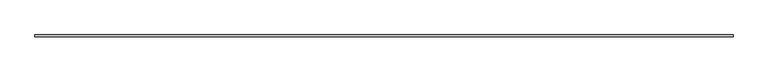
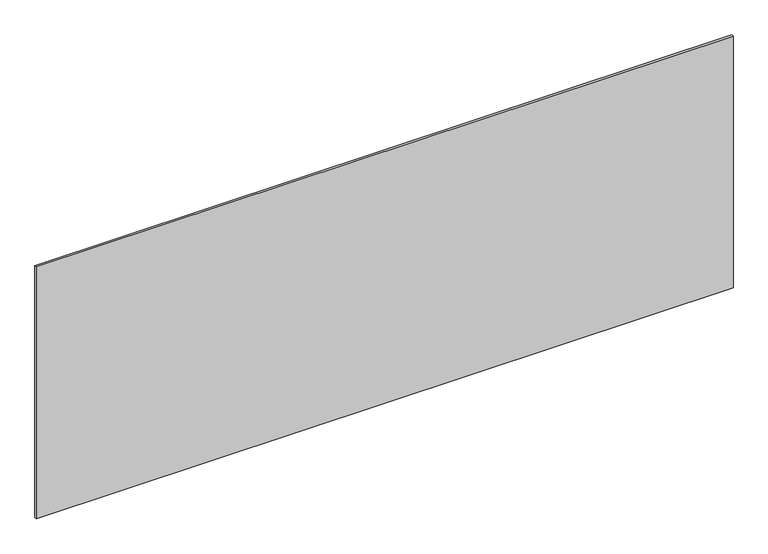
"""IFC4 building model written with IfcOpenShell, lengths in millimetres: plate geometry."""

import ifcopenshell
import ifcopenshell.guid

model = None  # the IFC model being written
_history = None  # IfcOwnerHistory: only IFC2X3 demands one
_inside = {}  # id of a spatial element -> (the spatial element, [elements in it])
_under = {}  # id of a project, library or spatial element -> (it, [spatial elements below it])
_declared = {}  # id of a project -> (the project, [libraries it declares])
_typed = {}  # id of a type object -> (the type object, [elements of that type])
_made_of = {}  # id of a material, layer set ... -> (it, [elements and type objects made of it])


def new_model(schema):
    """Start an empty IFC model of exactly this schema.

    Asked for "IFC4X3", IfcOpenShell would pick the latest addendum, in which some entities
    have other attributes; the version numbers below select the first issue.
    IFC2X3 requires an IfcOwnerHistory on every rooted entity: one is made here for all.
    """
    global model, _history
    if schema == "IFC4X3":
        model = ifcopenshell.file(schema_version=(4, 3, 0, 0))
    else:
        model = ifcopenshell.file(schema=schema)
    _inside.clear()
    _under.clear()
    _declared.clear()
    _typed.clear()
    _made_of.clear()
    _history = None
    if model.schema == "IFC2X3":
        org = make("IfcOrganization", Name="unknown")
        user = make(
            "IfcPersonAndOrganization",
            ThePerson=make("IfcPerson", FamilyName="unknown"),
            TheOrganization=org,
        )
        app = make(
            "IfcApplication",
            ApplicationDeveloper=org,
            Version="unknown",
            ApplicationFullName="unknown",
            ApplicationIdentifier="unknown",
        )
        _history = make(
            "IfcOwnerHistory",
            OwningUser=user,
            OwningApplication=app,
            ChangeAction="ADDED",
            CreationDate=0,
        )
    return model


def make(cls, **values):
    """One entity of the class cls with the attributes given. An attribute that is None is left unset."""
    return model.create_entity(
        cls, **{name: value for name, value in values.items() if value is not None}
    )


def rooted(cls, **values):
    """An entity with a GlobalId (a new one), such as an element, a storey or a relation."""
    return make(cls, GlobalId=ifcopenshell.guid.new(), OwnerHistory=_history, **values)


def si_unit(unit_type, name, prefix=None):
    """IfcSIUnit, for example si_unit("LENGTHUNIT", "METRE", prefix="MILLI")."""
    return make("IfcSIUnit", UnitType=unit_type, Prefix=prefix, Name=name)


def assignment(units):
    """IfcUnitAssignment: the units of a project."""
    return None if units is None else make("IfcUnitAssignment", Units=units)


def point(xyz):
    """IfcCartesianPoint."""
    return None if xyz is None else make("IfcCartesianPoint", Coordinates=xyz)


def direction(xyz):
    """IfcDirection."""
    return None if xyz is None else make("IfcDirection", DirectionRatios=xyz)


def frame(location, z_axis=None, x_axis=None):
    """IfcAxis2Placement3D, a coordinate frame: its origin and axes. An axis left out is left unset."""
    return make(
        "IfcAxis2Placement3D",
        Location=point(location),
        Axis=direction(z_axis),
        RefDirection=direction(x_axis),
    )


def origin():
    """The frame at (0, 0, 0) with its axes left unset."""
    return frame((0.0, 0.0, 0.0))


def origin_with_axes():
    """The frame at (0, 0, 0) with the z axis (0, 0, 1) and the x axis (1, 0, 0) written out."""
    return frame((0.0, 0.0, 0.0), z_axis=(0.0, 0.0, 1.0), x_axis=(1.0, 0.0, 0.0))


def place(relative_to, where):
    """IfcLocalPlacement: puts the frame where relative to a parent placement (None: the world)."""
    return make(
        "IfcLocalPlacement", PlacementRelTo=relative_to, RelativePlacement=where
    )


def context(
    kind, dimensions, precision=None, world=None, true_north=None, identifier=None
):
    """IfcGeometricRepresentationContext, for example the 3D "Model" context."""
    return make(
        "IfcGeometricRepresentationContext",
        ContextIdentifier=identifier,
        ContextType=kind,
        CoordinateSpaceDimension=dimensions,
        Precision=precision,
        WorldCoordinateSystem=world,
        TrueNorth=true_north,
    )


def project(units=None, contexts=None):
    """IfcProject with its units and contexts."""
    return rooted(
        "IfcProject",
        Name="project",
        RepresentationContexts=contexts,
        UnitsInContext=assignment(units),
    )


def spatial(cls, under=None, at=None, **own):
    """A site, building, storey or space (cls), placed at a placement, below another one or the project."""
    s = rooted(cls, ObjectPlacement=at, **own)
    if under is not None:
        _under.setdefault(under.id(), (under, []))[1].append(s)
    return s


def polyline(points):
    """IfcPolyline through the points."""
    return make("IfcPolyline", Points=[point(p) for p in points])


def outline(outer, holes=None, kind="AREA"):
    """IfcArbitraryClosedProfileDef: a profile drawn as a closed curve; with holes, ...WithVoids."""
    if holes is None:
        return make("IfcArbitraryClosedProfileDef", ProfileType=kind, OuterCurve=outer)
    return make(
        "IfcArbitraryProfileDefWithVoids",
        ProfileType=kind,
        OuterCurve=outer,
        InnerCurves=holes,
    )


def extrude(swept, where, along, depth):
    """IfcExtrudedAreaSolid: the profile swept, set in the frame where, extruded along a direction by depth."""
    return make(
        "IfcExtrudedAreaSolid",
        SweptArea=swept,
        Position=where,
        ExtrudedDirection=direction(along),
        Depth=depth,
    )


def shape(context_of_items, identifier, shape_type, items):
    """IfcShapeRepresentation: the items that make up one representation, for example the "Body"."""
    return make(
        "IfcShapeRepresentation",
        ContextOfItems=context_of_items,
        RepresentationIdentifier=identifier,
        RepresentationType=shape_type,
        Items=items,
    )


def source(mapping_origin, context_of_items, identifier, shape_type, items):
    """IfcRepresentationMap: a shape defined once, which mapped items show again and again."""
    return make(
        "IfcRepresentationMap",
        MappingOrigin=mapping_origin,
        MappedRepresentation=shape(context_of_items, identifier, shape_type, items),
    )


def transform(
    local_origin,
    x_axis=None,
    y_axis=None,
    z_axis=None,
    scale=None,
    scale2=None,
    scale3=None,
    uniform=True,
):
    """IfcCartesianTransformationOperator3D, or its non-uniform kind. x_axis, y_axis, z_axis: its Axis1, 2, 3."""
    if uniform:
        return make(
            "IfcCartesianTransformationOperator3D",
            Axis1=direction(x_axis),
            Axis2=direction(y_axis),
            LocalOrigin=point(local_origin),
            Scale=scale,
            Axis3=direction(z_axis),
        )
    return make(
        "IfcCartesianTransformationOperator3DnonUniform",
        Axis1=direction(x_axis),
        Axis2=direction(y_axis),
        LocalOrigin=point(local_origin),
        Scale=scale,
        Axis3=direction(z_axis),
        Scale2=scale2,
        Scale3=scale3,
    )


def mapped(mapping_source, mapping_target):
    """IfcMappedItem: shows the shape of a source again, moved by a transform."""
    return make(
        "IfcMappedItem", MappingSource=mapping_source, MappingTarget=mapping_target
    )


def made_of(thing, what):
    """Note that an element or type object is made of a material, layer set ...; save() writes the relation."""
    if what is not None:
        _made_of.setdefault(what.id(), (what, []))[1].append(thing)
    return thing


def element(
    cls,
    number,
    at=None,
    inside=None,
    cuts=None,
    type_object=None,
    material=None,
    context=None,
    identifier="Body",
    shape_type=None,
    held_by="IfcProductDefinitionShape",
    body=None,
    shapes=None,
    **own,
):
    """One element of the class cls, such as IfcWall. Its Tag is "e" and its number.

    at: its placement. inside: the storey or other place that contains it. cuts: it is an
    opening in that element (IfcRelVoidsElement). A single representation is given by context,
    identifier, shape_type and body (its items); several are given by shapes. held_by: the class
    of the entity that holds the representations. save() writes the other relations.
    """
    e = rooted(cls, Tag="e%d" % number, ObjectPlacement=at, **own)
    if body is not None:
        shapes = [shape(context, identifier, shape_type, body)]
    if shapes is not None:
        e.Representation = make(held_by, Representations=shapes)
    if inside is not None:
        _inside.setdefault(inside.id(), (inside, []))[1].append(e)
    if cuts is not None:
        rooted(
            "IfcRelVoidsElement", RelatingBuildingElement=cuts, RelatedOpeningElement=e
        )
    if type_object is not None:
        _typed.setdefault(type_object.id(), (type_object, []))[1].append(e)
    return made_of(e, material)


def aggregate(whole, parts):
    """IfcRelAggregates: a whole, such as a stair, and the parts it consists of."""
    return rooted("IfcRelAggregates", RelatingObject=whole, RelatedObjects=parts)


def save(model, path):
    """Write the relations noted so far, then the file.

    IfcRelAggregates (storeys below a building ...), IfcRelContainedInSpatialStructure (elements
    in a storey), IfcRelDefinesByType, IfcRelAssociatesMaterial and IfcRelDeclares: one each for
    every whole, place, type object, material and project.
    """
    for whole, parts in _under.values():
        aggregate(whole, parts)
    for where, things in _inside.values():
        rooted(
            "IfcRelContainedInSpatialStructure",
            RelatedElements=things,
            RelatingStructure=where,
        )
    for kind, things in _typed.values():
        rooted("IfcRelDefinesByType", RelatedObjects=things, RelatingType=kind)
    for what, things in _made_of.values():
        rooted("IfcRelAssociatesMaterial", RelatedObjects=things, RelatingMaterial=what)
    for by, libraries in _declared.values():
        rooted("IfcRelDeclares", RelatingContext=by, RelatedDefinitions=libraries)
    model.write(path)


def plate_8248b05d(model_context):
    return source(origin(), model_context, "Body", "SweptSolid", [
        extrude(outline(polyline([(1715.0, -5.0), (-1715.0, -5.0), (-1715.0, 5.0), (1715.0, 5.0), (1715.0, -5.0)])), origin_with_axes(), (0.0, 0.0, 1.0), 1309.8788902),
    ])


if __name__ == "__main__":
    model = new_model("IFC4")
    model_context = context("Model", 3, world=origin())
    ifc_project = project(units=[si_unit("LENGTHUNIT", "METRE", prefix="MILLI")], contexts=[model_context])
    site = spatial("IfcSite", under=ifc_project)
    building = spatial("IfcBuilding", under=site)
    placement = place(None, origin())
    plate_shape = plate_8248b05d(model_context)
    element("IfcPlate", 1, at=placement, inside=building, context=model_context, shape_type="MappedRepresentation", body=[
        mapped(plate_shape, transform((0.0, 0.0, 0.0), x_axis=(1.0, 0.0, 0.0), y_axis=(0.0, 1.0, 0.0), z_axis=(0.0, 0.0, 1.0))),
    ])
    save(model, "model.ifc")
